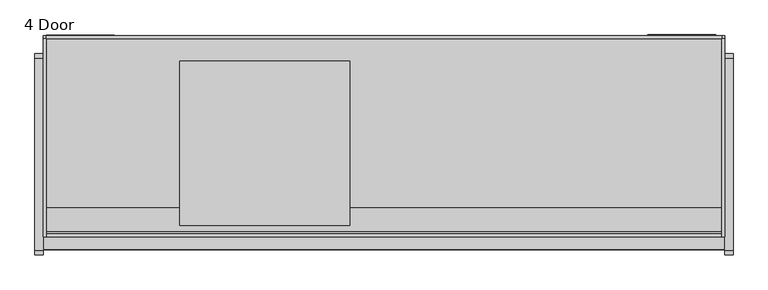
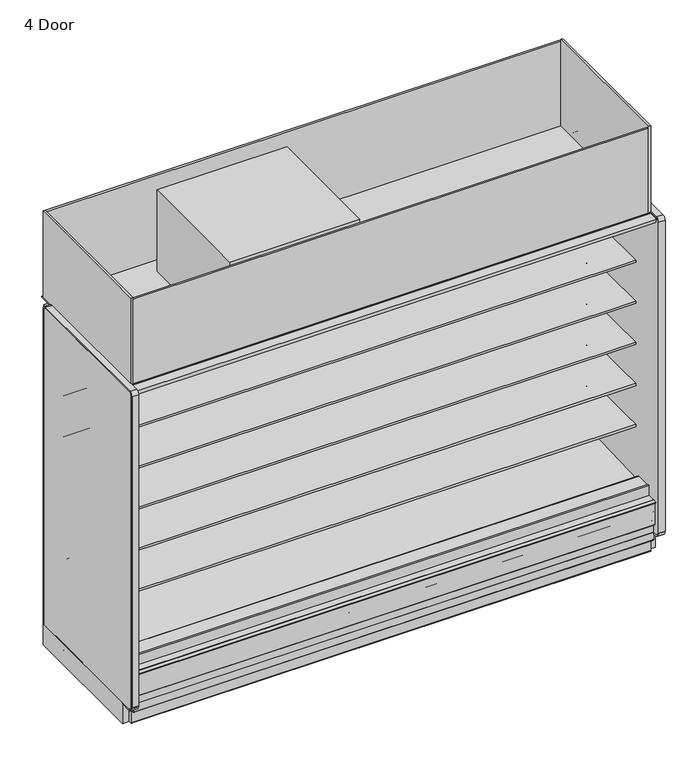
"""IFC4 building model written with IfcOpenShell, lengths in millimetres: proxy geometry, 4 Door."""

from ifc_helpers import new_model, si_unit, point, frame, frame_2d, origin, origin_with_axes, place, context, project, spatial, polyline, circle_curve, trimmed, segment, composite_curve, outline, extrude, source, transform, mapped, element, save


def proxy_4_door_0fae887e(model_context):
    return source(origin(), model_context, "Body", "SweptSolid", [
        extrude(outline(polyline([(0.0, -38.6530691), (0.0, 0.0), (2438.4, 0.0), (2438.4, -38.6530691), (0.0, -38.6530691)])), frame((3048.0, -1078.2703087, 1997.4969004), z_axis=(0.0, 0.24192189559968305, 0.9702957262759927), x_axis=(-1.0, 0.0, 0.0)), (0.0, 0.0, 1.0), 7.3408347),
        extrude(outline(polyline([(-1183.4834873, 177.8), (-1183.4834873, 195.2905293), (-1181.4991123, 191.853491), (-1181.4991123, 175.815625), (-1189.8334873, 175.815625), (-1189.8334873, 133.35), (-1191.8146873, 133.35), (-1191.8146873, 177.8), (-1183.4834873, 177.8)])), frame((0.0, 0.0, 0.0), z_axis=(1.0, 0.0, 0.0), x_axis=(0.0, 1.0, 0.0)), (0.0, 0.0, 1.0), 3048.0),
        extrude(outline(composite_curve([segment(polyline([(-1199.1652772, 323.6525395), (-1199.1652772, 322.7889395), (-1205.4517772, 322.7889395)]), True, "CONTINUOUS"), segment(trimmed(circle_curve(frame_2d((-1205.4517772, 322.0015395)), 0.7874), [point((-1205.4517772, 322.7889395))], [point((-1206.2391772, 322.0015395))], True, "CARTESIAN"), True, "CONTINUOUS"), segment(polyline([(-1206.2391772, 322.0015395), (-1206.2391772, 320.4775395), (-1206.2391772, 189.9871554)]), True, "CONTINUOUS"), segment(trimmed(circle_curve(frame_2d((-1205.4517772, 189.9871554)), 0.7874), [point((-1206.2391772, 189.9871554))], [point((-1205.0580772, 189.305247))], True, "CARTESIAN"), True, "CONTINUOUS"), segment(polyline([(-1205.0580772, 189.305247), (-1186.9673399, 199.7499391)]), True, "CONTINUOUS"), segment(trimmed(circle_curve(frame_2d((-1186.1418399, 198.3201311)), 1.651), [point((-1186.9673399, 199.7499391))], [point((-1184.712032, 199.1456311))], False, "CARTESIAN"), True, "CONTINUOUS"), segment(polyline([(-1184.712032, 199.1456311), (-1179.187532, 189.5769164), (-1179.9354315, 189.1451164), (-1185.4599315, 198.7138311)]), True, "CONTINUOUS"), segment(trimmed(circle_curve(frame_2d((-1186.1418399, 198.3201311)), 0.7874), [point((-1185.4599315, 198.7138311))], [point((-1186.5355399, 199.0020395))], True, "CARTESIAN"), True, "CONTINUOUS"), segment(polyline([(-1186.5355399, 199.0020395), (-1204.6262772, 188.5573475)]), True, "CONTINUOUS"), segment(trimmed(circle_curve(frame_2d((-1205.4517772, 189.9871554)), 1.651), [point((-1204.6262772, 188.5573475))], [point((-1207.1027772, 189.9871554))], False, "CARTESIAN"), True, "CONTINUOUS"), segment(polyline([(-1207.1027772, 189.9871554), (-1207.1027772, 191.5746554), (-1207.1027772, 320.4775395), (-1207.1027772, 322.0015395)]), True, "CONTINUOUS"), segment(trimmed(circle_curve(frame_2d((-1205.4517772, 322.0015395)), 1.651), [point((-1207.1027772, 322.0015395))], [point((-1205.4517772, 323.6525395))], False, "CARTESIAN"), True, "CONTINUOUS"), segment(polyline([(-1205.4517772, 323.6525395), (-1199.1652772, 323.6525395)]), True, "CONTINUOUS")], self_intersect=False)), frame((0.0, 0.0, 0.0), z_axis=(1.0, 0.0, 0.0), x_axis=(0.0, 1.0, 0.0)), (0.0, 0.0, 1.0), 3048.0),
        extrude(outline(polyline([(1371.6, -374.4071273), (1371.6, -1111.0071273), (609.6, -1111.0071273), (609.6, -374.4071273), (1371.6, -374.4071273)])), frame((0.0, 0.0, 2107.5790188), z_axis=(0.0, 0.0, 1.0), x_axis=(1.0, 0.0, 0.0)), (0.0, 0.0, 1.0), 502.2709812),
        extrude(outline(polyline([(3048.0, -260.1071273), (3048.0, -1161.8071273), (0.0, -1161.8071273), (0.0, -260.1071273), (3048.0, -260.1071273)])), frame((0.0, 0.0, 2089.15), z_axis=(0.0, 0.0, 1.0), x_axis=(1.0, 0.0, 0.0)), (0.0, 0.0, 1.0), 6.35),
        extrude(outline(composite_curve([segment(polyline([(-1219.271907, 334.0862), (-1192.8205273, 334.0862)]), True, "CONTINUOUS"), segment(trimmed(circle_curve(frame_2d((-1192.8205273, 332.1304)), 1.9558), [point((-1192.8205273, 334.0862))], [point((-1190.8647273, 332.1304))], False, "CARTESIAN"), True, "CONTINUOUS"), segment(polyline([(-1190.8647273, 332.1304), (-1190.8647273, 321.3862), (-1190.8647273, 300.7449388), (-1192.1324192, 300.7449388), (-1192.1324192, 321.3862), (-1192.1324192, 332.1304)]), True, "CONTINUOUS"), segment(trimmed(circle_curve(frame_2d((-1192.9198192, 332.1304)), 0.7874), [point((-1192.1324192, 332.1304))], [point((-1192.9198192, 332.9178))], True, "CARTESIAN"), True, "CONTINUOUS"), segment(polyline([(-1192.9198192, 332.9178), (-1219.271907, 332.9178), (-1219.271907, 334.0862)]), True, "CONTINUOUS")], self_intersect=False)), frame((0.0, 0.0, 0.0), z_axis=(1.0, 0.0, 0.0), x_axis=(0.0, 1.0, 0.0)), (0.0, 0.0, 1.0), 3048.0),
        extrude(outline(composite_curve([segment(polyline([(-1169.6042697, 82.5444735), (-368.9975849, 82.5444735)]), True, "CONTINUOUS"), segment(trimmed(circle_curve(frame_2d((-372.4259273, 84.5312)), 3.9624), [point((-368.9975849, 82.5444735))], [point((-372.4259273, 80.5688))], False, "CARTESIAN"), True, "CONTINUOUS"), segment(polyline([(-372.4259273, 80.5688), (-1166.1759273, 80.5688)]), True, "CONTINUOUS"), segment(trimmed(circle_curve(frame_2d((-1166.1759273, 84.5312)), 3.9624), [point((-1166.1759273, 80.5688))], [point((-1169.6042697, 82.5444735))], False, "CARTESIAN"), True, "CONTINUOUS")], self_intersect=False)), frame((0.0, 0.0, 0.0), z_axis=(1.0, 0.0, 0.0), x_axis=(0.0, 1.0, 0.0)), (0.0, 0.0, 1.0), 3048.0),
        extrude(outline(composite_curve([segment(polyline([(-1001.3146873, 129.3876), (-1024.7334873, 129.3876)]), True, "CONTINUOUS"), segment(trimmed(circle_curve(frame_2d((-1024.7334873, 127.4064)), 1.9812), [point((-1024.7334873, 129.3876))], [point((-1026.7146873, 127.4064))], True, "CARTESIAN"), True, "CONTINUOUS"), segment(polyline([(-1026.7146873, 127.4064), (-1026.7146873, 86.5124)]), True, "CONTINUOUS"), segment(trimmed(circle_curve(frame_2d((-1030.6770873, 86.5124)), 3.9624), [point((-1026.7146873, 86.5124))], [point((-1030.6770873, 82.55))], False, "CARTESIAN"), True, "CONTINUOUS"), segment(polyline([(-1030.6770873, 82.55), (-1187.8522873, 82.55)]), True, "CONTINUOUS"), segment(trimmed(circle_curve(frame_2d((-1187.8522873, 86.5124)), 3.9624), [point((-1187.8522873, 82.55))], [point((-1191.8146873, 86.5124))], False, "CARTESIAN"), True, "CONTINUOUS"), segment(polyline([(-1191.8146873, 86.5124), (-1191.8146873, 133.35), (-1040.3697273, 133.35), (-1040.3697273, 131.3688), (-1189.8334873, 131.3688), (-1189.8334873, 86.5124)]), True, "CONTINUOUS"), segment(trimmed(circle_curve(frame_2d((-1187.8522873, 86.5124)), 1.9812), [point((-1189.8334873, 86.5124))], [point((-1187.8522873, 84.5312))], True, "CARTESIAN"), True, "CONTINUOUS"), segment(polyline([(-1187.8522873, 84.5312), (-1030.6770873, 84.5312)]), True, "CONTINUOUS"), segment(trimmed(circle_curve(frame_2d((-1030.6770873, 86.5124)), 1.9812), [point((-1030.6770873, 84.5312))], [point((-1028.6958873, 86.5124))], True, "CARTESIAN"), True, "CONTINUOUS"), segment(polyline([(-1028.6958873, 86.5124), (-1028.6958873, 129.3876)]), True, "CONTINUOUS"), segment(trimmed(circle_curve(frame_2d((-1024.7334873, 129.3876)), 3.9624), [point((-1028.6958873, 129.3876))], [point((-1024.7334873, 133.35))], False, "CARTESIAN"), True, "CONTINUOUS"), segment(polyline([(-1024.7334873, 133.35), (-1001.3146873, 133.35), (-1001.3146873, 129.3876)]), True, "CONTINUOUS")], self_intersect=False)), frame((0.0, 0.0, 0.0), z_axis=(1.0, 0.0, 0.0), x_axis=(0.0, 1.0, 0.0)), (0.0, 0.0, 1.0), 3048.0),
        extrude(outline(composite_curve([segment(trimmed(circle_curve(frame_2d((-514.1071273, 127.4064)), 1.9812), [point((-512.1259273, 127.4064))], [point((-514.1071273, 129.3876))], True, "CARTESIAN"), True, "CONTINUOUS"), segment(polyline([(-514.1071273, 129.3876), (-537.5259273, 129.3876), (-537.5259273, 133.1722), (-514.1071273, 133.1722)]), True, "CONTINUOUS"), segment(trimmed(circle_curve(frame_2d((-514.1071273, 129.2098)), 3.9624), [point((-514.1071273, 133.1722))], [point((-510.1447273, 129.2098))], False, "CARTESIAN"), True, "CONTINUOUS"), segment(polyline([(-510.1447273, 129.2098), (-510.1447273, 86.5124)]), True, "CONTINUOUS"), segment(trimmed(circle_curve(frame_2d((-508.1635273, 86.5124)), 1.9812), [point((-510.1447273, 86.5124))], [point((-508.1635273, 84.5312))], True, "CARTESIAN"), True, "CONTINUOUS"), segment(polyline([(-508.1635273, 84.5312), (-350.9883273, 84.5312)]), True, "CONTINUOUS"), segment(trimmed(circle_curve(frame_2d((-350.9883273, 86.5124)), 1.9812), [point((-350.9883273, 84.5312))], [point((-349.0071273, 86.5124))], True, "CARTESIAN"), True, "CONTINUOUS"), segment(polyline([(-349.0071273, 86.5124), (-349.0071273, 133.35), (-347.0259273, 133.35), (-347.0259273, 86.5124)]), True, "CONTINUOUS"), segment(trimmed(circle_curve(frame_2d((-350.9883273, 86.5124)), 3.9624), [point((-347.0259273, 86.5124))], [point((-350.9883273, 82.55))], False, "CARTESIAN"), True, "CONTINUOUS"), segment(polyline([(-350.9883273, 82.55), (-508.1635273, 82.55)]), True, "CONTINUOUS"), segment(trimmed(circle_curve(frame_2d((-508.1635273, 86.5124)), 3.9624), [point((-508.1635273, 82.55))], [point((-512.1259273, 86.5124))], False, "CARTESIAN"), True, "CONTINUOUS"), segment(polyline([(-512.1259273, 86.5124), (-512.1259273, 127.4064)]), True, "CONTINUOUS")], self_intersect=False)), frame((0.0, 0.0, 0.0), z_axis=(1.0, 0.0, 0.0), x_axis=(0.0, 1.0, 0.0)), (0.0, 0.0, 1.0), 3048.0),
        extrude(outline(polyline([(3048.0, -372.4259273), (3048.0, -1166.1759273), (0.0, -1166.1759273), (0.0, -372.4259273), (3048.0, -372.4259273)])), frame((0.0, 0.0, 78.5876), z_axis=(0.0, 0.0, 1.0), x_axis=(1.0, 0.0, 0.0)), (0.0, 0.0, 1.0), 1.9812),
        extrude(outline(composite_curve([segment(polyline([(-372.4259273, 3.9624), (-372.4259273, 1.9812), (-372.4259273, 0.0), (-474.0259273, 0.0), (-474.0259273, 1.9812), (-474.0259273, 3.9624), (-474.0259273, 19.05)]), True, "CONTINUOUS"), segment(trimmed(circle_curve(frame_2d((-499.4259273, 19.05)), 25.4), [point((-474.0259273, 19.05))], [point((-499.4259273, 44.45))], True, "CARTESIAN"), True, "CONTINUOUS"), segment(polyline([(-499.4259273, 44.45), (-1039.1759273, 44.45)]), True, "CONTINUOUS"), segment(trimmed(circle_curve(frame_2d((-1039.1759273, 19.05)), 25.4), [point((-1039.1759273, 44.45))], [point((-1064.5759273, 19.05))], True, "CARTESIAN"), True, "CONTINUOUS"), segment(polyline([(-1064.5759273, 19.05), (-1064.5759273, 3.9624), (-1064.5759273, 1.9812), (-1064.5759273, 0.0), (-1166.1759273, 0.0), (-1166.1759273, 1.9812), (-1166.1759273, 3.9624), (-1166.1759273, 78.5876), (-372.4259273, 78.5876), (-372.4259273, 3.9624)]), True, "CONTINUOUS")], self_intersect=False), holes=[composite_curve([segment(trimmed(circle_curve(frame_2d((-1089.9759273, 69.85)), 4.2164), [point((-1092.0841273, 73.5015095))], [point((-1087.8677273, 66.1984905))], True, "CARTESIAN"), True, "CONTINUOUS"), segment(trimmed(circle_curve(frame_2d((-1089.9759273, 69.85)), 4.2164), [point((-1087.8677273, 66.1984905))], [point((-1092.0841273, 73.5015095))], True, "CARTESIAN"), True, "CONTINUOUS")], self_intersect=False), composite_curve([segment(trimmed(circle_curve(frame_2d((-1089.9759273, 12.7)), 4.2164), [point((-1092.0841273, 16.3515095))], [point((-1087.8677273, 9.0484905))], True, "CARTESIAN"), True, "CONTINUOUS"), segment(trimmed(circle_curve(frame_2d((-1089.9759273, 12.7)), 4.2164), [point((-1087.8677273, 9.0484905))], [point((-1092.0841273, 16.3515095))], True, "CARTESIAN"), True, "CONTINUOUS")], self_intersect=False), composite_curve([segment(trimmed(circle_curve(frame_2d((-448.6259273, 69.85)), 4.2164), [point((-450.7341273, 73.5015095))], [point((-446.5177273, 66.1984905))], True, "CARTESIAN"), True, "CONTINUOUS"), segment(trimmed(circle_curve(frame_2d((-448.6259273, 69.85)), 4.2164), [point((-446.5177273, 66.1984905))], [point((-450.7341273, 73.5015095))], True, "CARTESIAN"), True, "CONTINUOUS")], self_intersect=False), composite_curve([segment(trimmed(circle_curve(frame_2d((-448.6259273, 12.7)), 4.2164), [point((-450.7341273, 16.3515095))], [point((-446.5177273, 9.0484905))], True, "CARTESIAN"), True, "CONTINUOUS"), segment(trimmed(circle_curve(frame_2d((-448.6259273, 12.7)), 4.2164), [point((-446.5177273, 9.0484905))], [point((-450.7341273, 16.3515095))], True, "CARTESIAN"), True, "CONTINUOUS")], self_intersect=False)]), frame((0.0, 0.0, 0.0), z_axis=(1.0, 0.0, 0.0), x_axis=(0.0, 1.0, 0.0)), (0.0, 0.0, 1.0), 3048.0),
        extrude(outline(composite_curve([segment(trimmed(circle_curve(frame_2d((2925.8082444, -305.1108756)), 12.7), [point((2913.1082444, -305.1108756))], [point((2938.5082444, -305.1108756))], False, "CARTESIAN"), True, "CONTINUOUS"), segment(trimmed(circle_curve(frame_2d((2925.8082444, -305.1108756)), 12.7), [point((2938.5082444, -305.1108756))], [point((2913.1082444, -305.1108756))], False, "CARTESIAN"), True, "CONTINUOUS")], self_intersect=False)), frame((0.0, 0.0, 1138.0399939), z_axis=(0.0, 0.0, 1.0), x_axis=(1.0, 0.0, 0.0)), (0.0, 0.0, 1.0), 554.8039204),
        extrude(outline(composite_curve([segment(trimmed(circle_curve(frame_2d((2796.38125, -305.1108756)), 9.525), [point((2786.85625, -305.1108756))], [point((2805.90625, -305.1108756))], False, "CARTESIAN"), True, "CONTINUOUS"), segment(trimmed(circle_curve(frame_2d((2796.38125, -305.1108756)), 9.525), [point((2805.90625, -305.1108756))], [point((2786.85625, -305.1108756))], False, "CARTESIAN"), True, "CONTINUOUS")], self_intersect=False)), frame((0.0, 0.0, 1138.0399939), z_axis=(0.0, 0.0, 1.0), x_axis=(1.0, 0.0, 0.0)), (0.0, 0.0, 1.0), 554.8039204),
        extrude(outline(polyline([(3009.10625, -256.4521239), (3009.10625, -349.0071273), (3005.93125, -349.0071273), (3005.93125, -259.6271239), (2707.48125, -259.6271239), (2707.48125, -349.0071273), (2704.30625, -349.0071273), (2704.30625, -256.4521239), (3009.10625, -256.4521239)])), frame((0.0, 0.0, 193.7512), z_axis=(0.0, 0.0, 1.0), x_axis=(1.0, 0.0, 0.0)), (0.0, 0.0, 1.0), 1438.7950439),
        extrude(outline(polyline([(105.5601284, -782.8225818), (397.6601284, -782.8225818), (397.6601284, -1034.2202905), (105.5601284, -1034.2202905), (105.5601284, -782.8225818)])), frame((0.0, 0.0, 95.25), z_axis=(0.0, 0.0, 1.0), x_axis=(1.0, 0.0, 0.0)), (0.0, 0.0, 1.0), 6.35),
        extrude(outline(composite_curve([segment(trimmed(circle_curve(frame_2d((1524.0, -1015.7571273)), 38.1), [point((1485.9, -1015.7571273))], [point((1562.1, -1015.7571273))], False, "CARTESIAN"), True, "CONTINUOUS"), segment(trimmed(circle_curve(frame_2d((1524.0, -1015.7571273)), 38.1), [point((1562.1, -1015.7571273))], [point((1485.9, -1015.7571273))], False, "CARTESIAN"), True, "CONTINUOUS")], self_intersect=False)), origin_with_axes(), (0.0, 0.0, 1.0), 101.6),
        extrude(outline(polyline([(316.70625, -258.0396239), (316.70625, -349.0071273), (11.90625, -349.0071273), (11.90625, -258.0396239), (316.70625, -258.0396239)])), frame((0.0, 0.0, 1782.450878), z_axis=(0.0, 0.0, 1.0), x_axis=(1.0, 0.0, 0.0)), (0.0, 0.0, 1.0), 254.5161408),
        extrude(outline(composite_curve([segment(polyline([(-453.852044, 591.1422184), (-464.9599362, 590.9259013)]), True, "CONTINUOUS"), segment(trimmed(circle_curve(frame_2d((-465.4478819, 615.9819291)), 25.0607786), [point((-464.9599362, 590.9259013))], [point((-481.3552045, 596.6170199))], False, "CARTESIAN"), True, "CONTINUOUS"), segment(polyline([(-481.3552045, 596.6170199), (-519.5769051, 627.7002885)]), True, "CONTINUOUS"), segment(trimmed(circle_curve(frame_2d((-559.6413782, 578.4348036)), 63.5), [point((-519.5769051, 627.7002885))], [point((-552.7883688, 641.5639274))], True, "CARTESIAN"), True, "CONTINUOUS"), segment(polyline([(-552.7883688, 641.5639274), (-892.1960421, 674.1744175), (-892.1960421, 678.4587439), (-1012.6220004, 678.4587439), (-1012.6220004, 691.9524939), (-453.852044, 691.9524939), (-453.852044, 591.1422184)]), True, "CONTINUOUS")], self_intersect=False)), frame((0.0, 0.0, 0.0), z_axis=(1.0, 0.0, 0.0), x_axis=(0.0, 1.0, 0.0)), (0.0, 0.0, 1.0), 3048.0),
        extrude(outline(composite_curve([segment(polyline([(-453.852044, 845.1422184), (-464.9599362, 844.9259013)]), True, "CONTINUOUS"), segment(trimmed(circle_curve(frame_2d((-465.4478819, 869.9819291)), 25.0607786), [point((-464.9599362, 844.9259013))], [point((-481.3552045, 850.6170199))], False, "CARTESIAN"), True, "CONTINUOUS"), segment(polyline([(-481.3552045, 850.6170199), (-519.5769051, 881.7002885)]), True, "CONTINUOUS"), segment(trimmed(circle_curve(frame_2d((-559.6413782, 832.4348036)), 63.5), [point((-519.5769051, 881.7002885))], [point((-552.7883688, 895.5639274))], True, "CARTESIAN"), True, "CONTINUOUS"), segment(polyline([(-552.7883688, 895.5639274), (-892.1960421, 928.1744175), (-892.1960421, 932.4587439), (-1012.6220004, 932.4587439), (-1012.6220004, 945.9524939), (-453.852044, 945.9524939), (-453.852044, 845.1422184)]), True, "CONTINUOUS")], self_intersect=False)), frame((0.0, 0.0, 0.0), z_axis=(1.0, 0.0, 0.0), x_axis=(0.0, 1.0, 0.0)), (0.0, 0.0, 1.0), 3048.0),
        extrude(outline(composite_curve([segment(polyline([(-453.852044, 1099.1422184), (-464.9599362, 1098.9259013)]), True, "CONTINUOUS"), segment(trimmed(circle_curve(frame_2d((-465.4478819, 1123.9819291)), 25.0607786), [point((-464.9599362, 1098.9259013))], [point((-481.3552045, 1104.6170199))], False, "CARTESIAN"), True, "CONTINUOUS"), segment(polyline([(-481.3552045, 1104.6170199), (-519.5769051, 1135.7002885)]), True, "CONTINUOUS"), segment(trimmed(circle_curve(frame_2d((-559.6413782, 1086.4348036)), 63.5), [point((-519.5769051, 1135.7002885))], [point((-552.7883688, 1149.5639274))], True, "CARTESIAN"), True, "CONTINUOUS"), segment(polyline([(-552.7883688, 1149.5639274), (-892.1960421, 1182.1744175), (-892.1960421, 1186.4587439), (-1012.6220004, 1186.4587439), (-1012.6220004, 1199.9524939), (-453.852044, 1199.9524939), (-453.852044, 1099.1422184)]), True, "CONTINUOUS")], self_intersect=False)), frame((0.0, 0.0, 0.0), z_axis=(1.0, 0.0, 0.0), x_axis=(0.0, 1.0, 0.0)), (0.0, 0.0, 1.0), 3048.0),
        extrude(outline(composite_curve([segment(polyline([(-453.852044, 1353.1422184), (-464.9599362, 1352.9259013)]), True, "CONTINUOUS"), segment(trimmed(circle_curve(frame_2d((-465.4478819, 1377.9819291)), 25.0607786), [point((-464.9599362, 1352.9259013))], [point((-481.3552045, 1358.6170199))], False, "CARTESIAN"), True, "CONTINUOUS"), segment(polyline([(-481.3552045, 1358.6170199), (-519.5769051, 1389.7002885)]), True, "CONTINUOUS"), segment(trimmed(circle_curve(frame_2d((-559.6413782, 1340.4348036)), 63.5), [point((-519.5769051, 1389.7002885))], [point((-552.7883688, 1403.5639274))], True, "CARTESIAN"), True, "CONTINUOUS"), segment(polyline([(-552.7883688, 1403.5639274), (-892.1960421, 1436.1744175), (-892.1960421, 1440.4587439), (-1012.6220004, 1440.4587439), (-1012.6220004, 1453.9524939), (-453.852044, 1453.9524939), (-453.852044, 1353.1422184)]), True, "CONTINUOUS")], self_intersect=False)), frame((0.0, 0.0, 0.0), z_axis=(1.0, 0.0, 0.0), x_axis=(0.0, 1.0, 0.0)), (0.0, 0.0, 1.0), 3048.0),
        extrude(outline(polyline([(3048.0, -272.8071273), (3048.0, -1161.8071273), (3035.3, -1161.8071273), (3035.3, -272.8071273), (3048.0, -272.8071273)])), frame((0.0, 0.0, 2089.15), z_axis=(0.0, 0.0, 1.0), x_axis=(1.0, 0.0, 0.0)), (0.0, 0.0, 1.0), 542.5072188),
        extrude(outline(polyline([(12.7, -272.8071273), (12.7, -1161.8071273), (0.0, -1161.8071273), (0.0, -272.8071273), (12.7, -272.8071273)])), frame((0.0, 0.0, 2089.15), z_axis=(0.0, 0.0, 1.0), x_axis=(1.0, 0.0, 0.0)), (0.0, 0.0, 1.0), 542.5072188),
        extrude(outline(polyline([(3035.3, -260.1071273), (3035.3, -272.8071273), (12.7, -272.8071273), (12.7, -260.1071273), (3035.3, -260.1071273)])), frame((0.0, 0.0, 2095.5), z_axis=(0.0, 0.0, 1.0), x_axis=(1.0, 0.0, 0.0)), (0.0, 0.0, 1.0), 524.1938188),
        extrude(outline(composite_curve([segment(polyline([(-1032.1083773, 2088.5290188), (-1161.8071273, 2088.5290188), (-1161.8071273, 2619.6938188), (-1149.113193, 2619.6938188), (-1149.113193, 2126.5147188)]), True, "CONTINUOUS"), segment(trimmed(circle_curve(frame_2d((-1136.413193, 2126.5147188)), 12.7), [point((-1149.113193, 2126.5147188))], [point((-1136.413193, 2113.8147188))], True, "CARTESIAN"), True, "CONTINUOUS"), segment(polyline([(-1136.413193, 2113.8147188), (-1032.1083773, 2113.8147188), (-1032.1083773, 2088.5290188)]), True, "CONTINUOUS")], self_intersect=False)), frame((12.7, 0.0, 0.0), z_axis=(1.0, 0.0, 0.0), x_axis=(0.0, 1.0, 0.0)), (0.0, 0.0, 1.0), 3022.6),
        extrude(outline(polyline([(-1218.7163962, 2067.3454108), (-1218.7163962, 2088.5290188), (-1134.8551873, 2088.5290188), (-1134.8551873, 2037.6083622), (-1147.784197, 2037.6083622), (-1147.784197, 2067.3454108), (-1218.7163962, 2067.3454108)])), frame((0.0, 0.0, 0.0), z_axis=(1.0, 0.0, 0.0), x_axis=(0.0, 1.0, 0.0)), (0.0, 0.0, 1.0), 3048.0),
        extrude(outline(polyline([(-1147.784197, 334.0862), (-1147.784197, 396.6795495), (-1139.5526974, 396.6795495), (-1139.5526974, 302.7473029), (-1137.9651974, 302.7473029), (-1137.9651974, 300.7449388), (-1190.8639311, 300.7449388), (-1190.8657083, 334.0862), (-1147.784197, 334.0862)])), frame((0.0, 0.0, 0.0), z_axis=(1.0, 0.0, 0.0), x_axis=(0.0, 1.0, 0.0)), (0.0, 0.0, 1.0), 3048.0),
        extrude(outline(composite_curve([segment(polyline([(-453.852044, 1607.1422184), (-464.9599362, 1606.9259013)]), True, "CONTINUOUS"), segment(trimmed(circle_curve(frame_2d((-465.4478819, 1631.9819291)), 25.0607786), [point((-464.9599362, 1606.9259013))], [point((-481.3552045, 1612.6170199))], False, "CARTESIAN"), True, "CONTINUOUS"), segment(polyline([(-481.3552045, 1612.6170199), (-519.5769051, 1643.7002885)]), True, "CONTINUOUS"), segment(trimmed(circle_curve(frame_2d((-559.6413782, 1594.4348036)), 63.5), [point((-519.5769051, 1643.7002885))], [point((-552.7883688, 1657.5639274))], True, "CARTESIAN"), True, "CONTINUOUS"), segment(polyline([(-552.7883688, 1657.5639274), (-892.1960421, 1690.1744175), (-892.1960421, 1694.4587439), (-1012.652044, 1694.4587439), (-1012.652044, 1707.9524939), (-453.852044, 1707.9524939), (-453.852044, 1607.1422184)]), True, "CONTINUOUS")], self_intersect=False)), frame((0.0, 0.0, 0.0), z_axis=(1.0, 0.0, 0.0), x_axis=(0.0, 1.0, 0.0)), (0.0, 0.0, 1.0), 3048.0),
        extrude(outline(polyline([(-349.0071273, 133.35), (-1042.7095547, 133.35), (-1192.1324192, 258.7306705), (-1192.1324192, 300.7449388), (-1137.9651974, 300.7449388), (-1137.9651974, 283.9418925), (-1025.3654807, 189.4595117), (-1009.819944, 190.0023738), (-964.4677493, 157.1934642), (-899.9654388, 159.4459345), (-859.8822128, 192.9404113), (-402.3474764, 220.4377575), (-402.3474764, 2037.6083622), (-1134.8551873, 2037.6083622), (-1134.8551873, 2089.15), (-349.0071273, 2089.15), (-349.0071273, 133.35)])), frame((0.0, 0.0, 0.0), z_axis=(1.0, 0.0, 0.0), x_axis=(0.0, 1.0, 0.0)), (0.0, 0.0, 1.0), 3048.0),
        extrude(outline(polyline([(-569.7966273, 2009.5795495), (-1018.9788197, 2009.5795495), (-1038.3156637, 1986.1261212), (-1044.227619, 1987.6001372), (-1043.8968839, 1988.926643), (-1040.765401, 1988.1458766), (-1023.0938016, 2009.5795495), (-1078.2703087, 2009.5795495), (-1078.2703087, 1997.4969004), (-1075.2026184, 1996.7320393), (-1075.5333534, 1995.4055335), (-1081.4453087, 1996.8795495), (-1081.4453087, 2009.5795495), (-1091.0188306, 2009.5795495), (-1091.0188306, 2025.8814352), (-1103.7188306, 2025.8814352), (-1103.7188306, 2036.9670188), (-402.3474764, 2036.9670188), (-402.3474764, 300.7449388), (-453.852044, 300.7449388), (-453.852044, 2009.5795495), (-569.7966273, 2009.5795495)])), frame((0.0, 0.0, 0.0), z_axis=(1.0, 0.0, 0.0), x_axis=(0.0, 1.0, 0.0)), (0.0, 0.0, 1.0), 3048.0),
        extrude(outline(composite_curve([segment(polyline([(-549.102044, 376.9132463), (-549.102044, 389.995836), (-476.8468712, 389.995836), (-476.8468712, 399.2749991), (-453.852044, 399.2749991), (-453.852044, 380.470836), (-453.852044, 300.7449388), (-402.3474764, 300.7449388), (-402.3474764, 220.4377575), (-859.8822128, 192.9404113), (-899.9654388, 159.4459345), (-964.4677493, 157.1934642), (-1009.819944, 190.0023738), (-1025.3654807, 189.4595117), (-1137.9651974, 283.9418925), (-1137.9651974, 312.2723029), (-1139.5526974, 312.2723029), (-1139.5526974, 388.7420495), (-1040.1411273, 388.7420495)]), True, "CONTINUOUS"), segment(trimmed(circle_curve(frame_2d((-1040.1411273, 386.6846495)), 2.0574), [point((-1040.1411273, 388.7420495))], [point((-1038.0837273, 386.6846495))], False, "CARTESIAN"), True, "CONTINUOUS"), segment(polyline([(-1038.0837273, 386.6846495), (-1038.0837273, 358.6497695), (-549.102044, 376.9132463)]), True, "CONTINUOUS")], self_intersect=False)), frame((0.0, 0.0, 0.0), z_axis=(1.0, 0.0, 0.0), x_axis=(0.0, 1.0, 0.0)), (0.0, 0.0, 1.0), 3048.0),
        extrude(outline(composite_curve([segment(polyline([(-349.0071273, 133.35), (-1209.4321273, 133.35)]), True, "CONTINUOUS"), segment(trimmed(circle_curve(frame_2d((-1209.4321273, 158.75)), 25.4), [point((-1209.4321273, 133.35))], [point((-1234.8321273, 158.75))], False, "CARTESIAN"), True, "CONTINUOUS"), segment(polyline([(-1234.8321273, 158.75), (-1234.8321273, 2082.8)]), True, "CONTINUOUS"), segment(trimmed(circle_curve(frame_2d((-1222.1321273, 2082.8)), 12.7), [point((-1234.8321273, 2082.8))], [point((-1222.1321273, 2095.5))], False, "CARTESIAN"), True, "CONTINUOUS"), segment(polyline([(-1222.1321273, 2095.5), (-361.7071273, 2095.5)]), True, "CONTINUOUS"), segment(trimmed(circle_curve(frame_2d((-361.7071273, 2082.8)), 12.7), [point((-361.7071273, 2095.5))], [point((-349.0071273, 2082.8))], False, "CARTESIAN"), True, "CONTINUOUS"), segment(polyline([(-349.0071273, 2082.8), (-349.0071273, 133.35)]), True, "CONTINUOUS")], self_intersect=False)), frame((3048.0, 0.0, 0.0), z_axis=(1.0, 0.0, 0.0), x_axis=(0.0, 1.0, 0.0)), (0.0, 0.0, 1.0), 38.1),
        extrude(outline(composite_curve([segment(polyline([(-349.0071273, 133.35), (-349.0071273, 2082.8)]), True, "CONTINUOUS"), segment(trimmed(circle_curve(frame_2d((-361.7071273, 2082.8)), 12.7), [point((-349.0071273, 2082.8))], [point((-361.7071273, 2095.5))], True, "CARTESIAN"), True, "CONTINUOUS"), segment(polyline([(-361.7071273, 2095.5), (-1222.1321273, 2095.5)]), True, "CONTINUOUS"), segment(trimmed(circle_curve(frame_2d((-1222.1321273, 2082.8)), 12.7), [point((-1222.1321273, 2095.5))], [point((-1234.8321273, 2082.8))], True, "CARTESIAN"), True, "CONTINUOUS"), segment(polyline([(-1234.8321273, 2082.8), (-1234.8321273, 158.75)]), True, "CONTINUOUS"), segment(trimmed(circle_curve(frame_2d((-1209.4321273, 158.75)), 25.4), [point((-1234.8321273, 158.75))], [point((-1209.4321273, 133.35))], True, "CARTESIAN"), True, "CONTINUOUS"), segment(polyline([(-1209.4321273, 133.35), (-1145.9321273, 133.35), (-1145.9321273, 122.8907563), (-1209.4321273, 122.8907563)]), True, "CONTINUOUS"), segment(trimmed(circle_curve(frame_2d((-1209.4321273, 155.9306)), 33.0398438), [point((-1209.4321273, 122.8907563))], [point((-1242.471971, 155.9306))], False, "CARTESIAN"), True, "CONTINUOUS"), segment(polyline([(-1242.471971, 155.9306), (-1242.471971, 2082.8)]), True, "CONTINUOUS"), segment(trimmed(circle_curve(frame_2d((-1222.1321273, 2082.8)), 20.3398437), [point((-1242.471971, 2082.8))], [point((-1222.1321273, 2103.1398438))], False, "CARTESIAN"), True, "CONTINUOUS"), segment(polyline([(-1222.1321273, 2103.1398438), (-361.7071273, 2103.1398438)]), True, "CONTINUOUS"), segment(trimmed(circle_curve(frame_2d((-361.7071273, 2082.8)), 20.3398437), [point((-361.7071273, 2103.1398438))], [point((-341.3672835, 2082.8))], False, "CARTESIAN"), True, "CONTINUOUS"), segment(polyline([(-341.3672835, 2082.8), (-341.3672835, 133.35), (-349.0071273, 133.35)]), True, "CONTINUOUS")], self_intersect=False)), frame((3048.0, 0.0, 0.0), z_axis=(1.0, 0.0, 0.0), x_axis=(0.0, 1.0, 0.0)), (0.0, 0.0, 1.0), 38.1),
        extrude(outline(composite_curve([segment(polyline([(-349.0071273, 129.3876), (-1209.4321273, 129.3876)]), True, "CONTINUOUS"), segment(trimmed(circle_curve(frame_2d((-1209.4321273, 154.7876)), 25.4), [point((-1209.4321273, 129.3876))], [point((-1234.8321273, 154.7876))], False, "CARTESIAN"), True, "CONTINUOUS"), segment(polyline([(-1234.8321273, 154.7876), (-1234.8321273, 2082.8)]), True, "CONTINUOUS"), segment(trimmed(circle_curve(frame_2d((-1222.1321273, 2082.8)), 12.7), [point((-1234.8321273, 2082.8))], [point((-1222.1321273, 2095.5))], False, "CARTESIAN"), True, "CONTINUOUS"), segment(polyline([(-1222.1321273, 2095.5), (-361.7071273, 2095.5)]), True, "CONTINUOUS"), segment(trimmed(circle_curve(frame_2d((-361.7071273, 2082.8)), 12.7), [point((-361.7071273, 2095.5))], [point((-349.0071273, 2082.8))], False, "CARTESIAN"), True, "CONTINUOUS"), segment(polyline([(-349.0071273, 2082.8), (-349.0071273, 129.3876)]), True, "CONTINUOUS")], self_intersect=False)), frame((-38.1, 0.0, 0.0), z_axis=(1.0, 0.0, 0.0), x_axis=(0.0, 1.0, 0.0)), (0.0, 0.0, 1.0), 38.1),
        extrude(outline(composite_curve([segment(polyline([(-349.0071273, 133.35), (-349.0071273, 2082.8)]), True, "CONTINUOUS"), segment(trimmed(circle_curve(frame_2d((-361.7071273, 2082.8)), 12.7), [point((-349.0071273, 2082.8))], [point((-361.7071273, 2095.5))], True, "CARTESIAN"), True, "CONTINUOUS"), segment(polyline([(-361.7071273, 2095.5), (-1222.1321273, 2095.5)]), True, "CONTINUOUS"), segment(trimmed(circle_curve(frame_2d((-1222.1321273, 2082.8)), 12.7), [point((-1222.1321273, 2095.5))], [point((-1234.8321273, 2082.8))], True, "CARTESIAN"), True, "CONTINUOUS"), segment(polyline([(-1234.8321273, 2082.8), (-1234.8321273, 158.75)]), True, "CONTINUOUS"), segment(trimmed(circle_curve(frame_2d((-1209.4321273, 158.75)), 25.4), [point((-1234.8321273, 158.75))], [point((-1209.4321273, 133.35))], True, "CARTESIAN"), True, "CONTINUOUS"), segment(polyline([(-1209.4321273, 133.35), (-1145.9321273, 133.35), (-1145.9321273, 122.8907563), (-1209.4321273, 122.8907563)]), True, "CONTINUOUS"), segment(trimmed(circle_curve(frame_2d((-1209.4321273, 155.9306)), 33.0398438), [point((-1209.4321273, 122.8907563))], [point((-1242.471971, 155.9306))], False, "CARTESIAN"), True, "CONTINUOUS"), segment(polyline([(-1242.471971, 155.9306), (-1242.471971, 2082.8)]), True, "CONTINUOUS"), segment(trimmed(circle_curve(frame_2d((-1222.1321273, 2082.8)), 20.3398437), [point((-1242.471971, 2082.8))], [point((-1222.1321273, 2103.1398438))], False, "CARTESIAN"), True, "CONTINUOUS"), segment(polyline([(-1222.1321273, 2103.1398438), (-361.7071273, 2103.1398438)]), True, "CONTINUOUS"), segment(trimmed(circle_curve(frame_2d((-361.7071273, 2082.8)), 20.3398437), [point((-361.7071273, 2103.1398438))], [point((-341.3672835, 2082.8))], False, "CARTESIAN"), True, "CONTINUOUS"), segment(polyline([(-341.3672835, 2082.8), (-341.3672835, 133.35), (-349.0071273, 133.35)]), True, "CONTINUOUS")], self_intersect=False)), frame((-38.1, 0.0, 0.0), z_axis=(1.0, 0.0, 0.0), x_axis=(0.0, 1.0, 0.0)), (0.0, 0.0, 1.0), 38.1),
        extrude(outline(polyline([(0.0, -341.3672835), (0.0, -1145.9321273), (-38.1, -1145.9321273), (-38.1, -341.3672835), (0.0, -341.3672835)])), origin_with_axes(), (0.0, 0.0, 1.0), 133.35),
        extrude(outline(polyline([(3086.1, -341.3672835), (3086.1, -1145.9321273), (3048.0, -1145.9321273), (3048.0, -341.3672835), (3086.1, -341.3672835)])), origin_with_axes(), (0.0, 0.0, 1.0), 133.35),
    ])


if __name__ == "__main__":
    model = new_model("IFC4")
    model_context = context("Model", 3, world=origin())
    ifc_project = project(units=[si_unit("LENGTHUNIT", "METRE", prefix="MILLI")], contexts=[model_context])
    site = spatial("IfcSite", under=ifc_project)
    building = spatial("IfcBuilding", under=site)
    placement = place(None, origin())
    proxy_4_door_shape = proxy_4_door_0fae887e(model_context)
    element("IfcBuildingElementProxy", 1, Name="4 Door", ObjectType="4 Door", at=placement, inside=building, context=model_context, shape_type="MappedRepresentation", body=[
        mapped(proxy_4_door_shape, transform((0.0, 0.0, 0.0), x_axis=(1.0, 0.0, 0.0), y_axis=(0.0, 1.0, 0.0), z_axis=(0.0, 0.0, 1.0))),
    ])
    save(model, "model.ifc")
